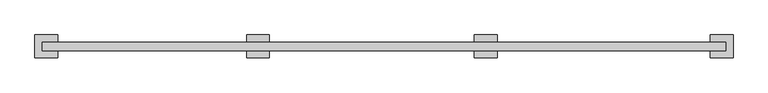
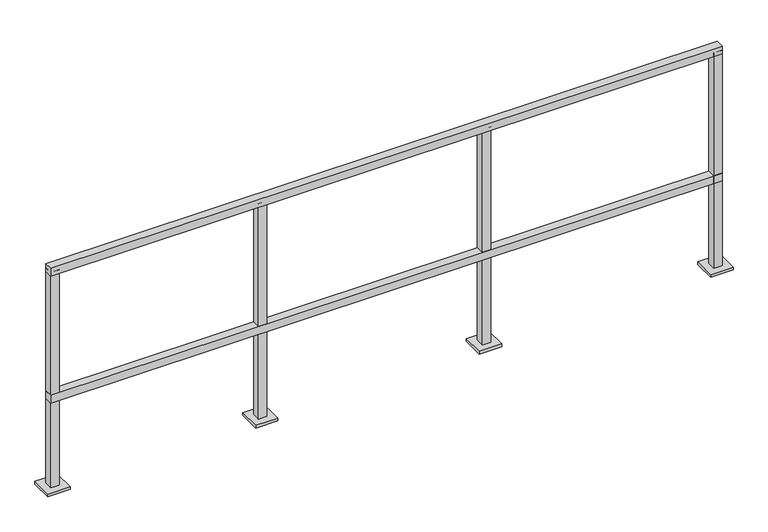
"""IFC4 building model written with IfcOpenShell, lengths in millimetres: railing geometry."""

from ifc_helpers import new_model, si_unit, frame, origin, origin_with_axes, place, context, project, spatial, polyline, outline, extrude, source, transform, mapped, element, save


def railing_a8ecb113(model_context):
    return source(origin(), model_context, "Body", "SweptSolid", [
        extrude(outline(polyline([(5155.0708903, -10011.444059), (5155.0708903, -9973.344059), (8203.0708903, -9973.344059), (8203.0708903, -10011.444059), (5155.0708903, -10011.444059)])), frame((0.0, 0.0, 1028.7), z_axis=(0.0, 0.0, 1.0), x_axis=(1.0, 0.0, 0.0)), (0.0, 0.0, 1.0), 38.1),
        extrude(outline(polyline([(5155.0708903, -10011.444059), (5155.0708903, -9973.344059), (8203.0708903, -9973.344059), (8203.0708903, -10011.444059), (5155.0708903, -10011.444059)])), frame((0.0, 0.0, 419.1), z_axis=(0.0, 0.0, 1.0), x_axis=(1.0, 0.0, 0.0)), (0.0, 0.0, 1.0), 38.1),
        extrude(outline(polyline([(7152.1811551, -9973.344059), (7152.1811551, -10011.444059), (7114.0811551, -10011.444059), (7114.0811551, -9973.344059), (7152.1811551, -9973.344059)]), holes=[polyline([(7115.6686551, -10009.856559), (7150.5936551, -10009.856559), (7150.5936551, -9974.931559), (7115.6686551, -9974.931559), (7115.6686551, -10009.856559)])]), frame((0.0, 0.0, 12.7), z_axis=(0.0, 0.0, 1.0), x_axis=(1.0, 0.0, 0.0)), (0.0, 0.0, 1.0), 1035.05),
        extrude(outline(polyline([(7183.9311551, -10043.194059), (7082.3311551, -10043.194059), (7082.3311551, -9941.594059), (7183.9311551, -9941.594059), (7183.9311551, -10043.194059)])), origin_with_axes(), (0.0, 0.0, 1.0), 12.7),
        extrude(outline(polyline([(6136.1811551, -9973.344059), (6136.1811551, -10011.444059), (6098.0811551, -10011.444059), (6098.0811551, -9973.344059), (6136.1811551, -9973.344059)]), holes=[polyline([(6099.6686551, -10009.856559), (6134.5936551, -10009.856559), (6134.5936551, -9974.931559), (6099.6686551, -9974.931559), (6099.6686551, -10009.856559)])]), frame((0.0, 0.0, 12.7), z_axis=(0.0, 0.0, 1.0), x_axis=(1.0, 0.0, 0.0)), (0.0, 0.0, 1.0), 1035.05),
        extrude(outline(polyline([(6167.9311551, -10043.194059), (6066.3311551, -10043.194059), (6066.3311551, -9941.594059), (6167.9311551, -9941.594059), (6167.9311551, -10043.194059)])), origin_with_axes(), (0.0, 0.0, 1.0), 12.7),
        extrude(outline(polyline([(8203.1061551, -9973.344059), (8203.1061551, -10011.444059), (8165.0061551, -10011.444059), (8165.0061551, -9973.344059), (8203.1061551, -9973.344059)]), holes=[polyline([(8166.5936551, -10009.856559), (8201.5186551, -10009.856559), (8201.5186551, -9974.931559), (8166.5936551, -9974.931559), (8166.5936551, -10009.856559)])]), frame((0.0, 0.0, 12.7), z_axis=(0.0, 0.0, 1.0), x_axis=(1.0, 0.0, 0.0)), (0.0, 0.0, 1.0), 1035.05),
        extrude(outline(polyline([(8234.8561551, -10043.194059), (8133.2561551, -10043.194059), (8133.2561551, -9941.594059), (8234.8561551, -9941.594059), (8234.8561551, -10043.194059)])), origin_with_axes(), (0.0, 0.0, 1.0), 12.7),
        extrude(outline(polyline([(5193.2061551, -9973.344059), (5193.2061551, -10011.444059), (5155.1061551, -10011.444059), (5155.1061551, -9973.344059), (5193.2061551, -9973.344059)]), holes=[polyline([(5156.6936551, -10009.856559), (5191.6186551, -10009.856559), (5191.6186551, -9974.931559), (5156.6936551, -9974.931559), (5156.6936551, -10009.856559)])]), frame((0.0, 0.0, 12.7), z_axis=(0.0, 0.0, 1.0), x_axis=(1.0, 0.0, 0.0)), (0.0, 0.0, 1.0), 1035.05),
        extrude(outline(polyline([(5224.9561551, -10043.194059), (5123.3561551, -10043.194059), (5123.3561551, -9941.594059), (5224.9561551, -9941.594059), (5224.9561551, -10043.194059)])), origin_with_axes(), (0.0, 0.0, 1.0), 12.7),
    ])


if __name__ == "__main__":
    model = new_model("IFC4")
    model_context = context("Model", 3, world=origin())
    ifc_project = project(units=[si_unit("LENGTHUNIT", "METRE", prefix="MILLI")], contexts=[model_context])
    site = spatial("IfcSite", under=ifc_project)
    building = spatial("IfcBuilding", under=site)
    placement = place(None, origin())
    railing_shape = railing_a8ecb113(model_context)
    element("IfcRailing", 1, at=placement, inside=building, context=model_context, shape_type="MappedRepresentation", body=[
        mapped(railing_shape, transform((0.0, 0.0, 0.0), x_axis=(1.0, 0.0, 0.0), y_axis=(0.0, 1.0, 0.0), z_axis=(0.0, 0.0, 1.0))),
    ])
    save(model, "model.ifc")
